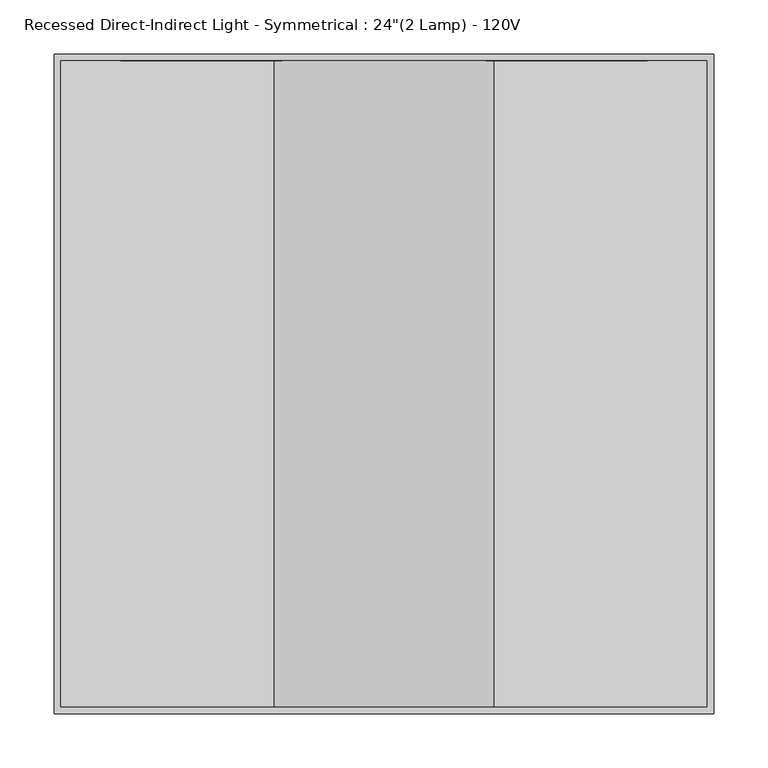
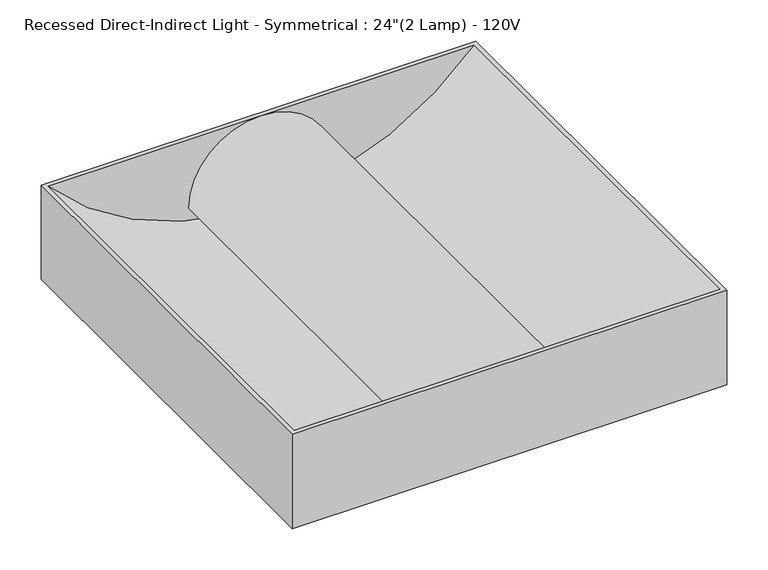
"""IFC4 building model written with IfcOpenShell, lengths in millimetres: light fixture geometry."""

from ifc_helpers import new_model, si_unit, point, frame, frame_2d, origin, place, context, project, spatial, polyline, circle_curve, trimmed, segment, composite_curve, outline, extrude, source, transform, mapped, element, save
from ifc_brep_helpers import plane_surface, revolved_surface, advanced_brep


def light_fixture_c678319e(model_context):
    return source(origin(), model_context, "Body", "SolidModel", [
        extrude(outline(composite_curve([segment(trimmed(circle_curve(frame_2d((-101.6, 0.0)), 101.6), [point((-101.6, 101.6))], [point((-101.6, -101.6))], False, "CARTESIAN"), True, "CONTINUOUS"), segment(polyline([(-101.6, -101.6), (-101.6, -95.25)]), True, "CONTINUOUS"), segment(trimmed(circle_curve(frame_2d((-101.6, 0.0)), 95.25), [point((-101.6, -95.25))], [point((-101.6, 95.25))], True, "CARTESIAN"), True, "CONTINUOUS"), segment(polyline([(-101.6, 95.25), (-101.6, 101.6)]), True, "CONTINUOUS")], self_intersect=False)), frame((0.0, -298.45, 0.0), z_axis=(0.0, 1.0, 0.0), x_axis=(0.0, 0.0, 1.0)), (0.0, 0.0, 1.0), 596.9),
        advanced_brep(
        [(304.8, 304.8, 0.0), (-304.8, 304.8, 0.0), (-304.8, -304.8, 0.0), (304.8, -304.8, 0.0), (298.45, -298.45, 0.0), (-298.45, -298.45, 0.0), (-298.45, 298.45, 0.0), (298.45, 298.45, 0.0), (304.8, 304.8, -139.7), (304.8, -304.8, -139.7), (-304.8, -304.8, -139.7), (-304.8, 304.8, -139.7)],
        [
            (0, 1),
            (1, 2),
            (2, 3),
            (3, 0),
            (4, 5),
            (5, 6),
            (6, 7),
            (7, 4),
            (8, 9),
            (9, 10),
            (10, 11),
            (11, 8),
            (0, 8),
            (11, 1),
            (10, 2),
            (9, 3),
            (4, 5, circle_curve(frame((0.0, -298.45, 267.3047619), z_axis=(0.0, 1.0, 0.0), x_axis=(1.0, 0.0, 0.0)), 400.6547619)),
            (6, 7, circle_curve(frame((0.0, 298.45, 267.3047619), z_axis=(0.0, -1.0, 0.0), x_axis=(1.0, 0.0, 0.0)), 400.6547619)),
        ],
        [
            plane_surface(frame((-304.8, 304.8, 0.0), z_axis=(0.0, 0.0, 1.0), x_axis=(-1.0, 0.0, 0.0))),
            plane_surface(frame((-304.8, 304.8, -139.7), z_axis=(0.0, 0.0, -1.0), x_axis=(1.0, 0.0, 0.0))),
            plane_surface(frame((304.8, 304.8, 0.0), z_axis=(0.0, 1.0, 0.0), x_axis=(0.0, 0.0, -1.0))),
            plane_surface(frame((-304.8, 304.8, 0.0), z_axis=(-1.0, 0.0, 0.0), x_axis=(0.0, 0.0, -1.0))),
            plane_surface(frame((-304.8, -304.8, 0.0), z_axis=(0.0, -1.0, 0.0), x_axis=(0.0, 0.0, -1.0))),
            plane_surface(frame((304.8, -304.8, 0.0), z_axis=(1.0, 0.0, 0.0), x_axis=(0.0, 0.0, -1.0))),
            plane_surface(frame((-298.45, -298.45, 0.0), z_axis=(0.0, 1.0, 0.0), x_axis=(-1.0, 0.0, 0.0))),
            plane_surface(frame((-298.45, 298.45, 0.0), z_axis=(0.0, -1.0, 0.0), x_axis=(1.0, 0.0, 0.0))),
            revolved_surface(polyline([(400.6547619, -298.45, 267.3047619), (400.6547619, 298.45, 267.3047619)]), (0.0, 298.45, 267.3047619), (0.0, -1.0, 0.0)),
        ],
        [
            (0, [[1, 2, 3, 4], [5, 6, 7, 8]]),
            (1, [[9, 10, 11, 12]]),
            (2, [[-1, 13, -12, 14]]),
            (3, [[-2, -14, -11, 15]]),
            (4, [[-3, -15, -10, 16]]),
            (5, [[-4, -16, -9, -13]]),
            (6, [[17, -5]]),
            (7, [[18, -7]]),
            (8, [[-17, -8, -18, -6]]),
        ],
    ),
    ])


if __name__ == "__main__":
    model = new_model("IFC4")
    model_context = context("Model", 3, world=origin())
    ifc_project = project(units=[si_unit("LENGTHUNIT", "METRE", prefix="MILLI")], contexts=[model_context])
    site = spatial("IfcSite", under=ifc_project)
    building = spatial("IfcBuilding", under=site)
    placement = place(None, origin())
    light_fixture_shape = light_fixture_c678319e(model_context)
    element("IfcLightFixture", 1, ObjectType="Recessed Direct-Indirect Light - Symmetrical : 24\"(2 Lamp) - 120V", at=placement, inside=building, context=model_context, shape_type="MappedRepresentation", body=[
        mapped(light_fixture_shape, transform((0.0, 0.0, 0.0), x_axis=(1.0, 0.0, 0.0), y_axis=(0.0, 1.0, 0.0), z_axis=(0.0, 0.0, 1.0))),
    ])
    save(model, "model.ifc")
